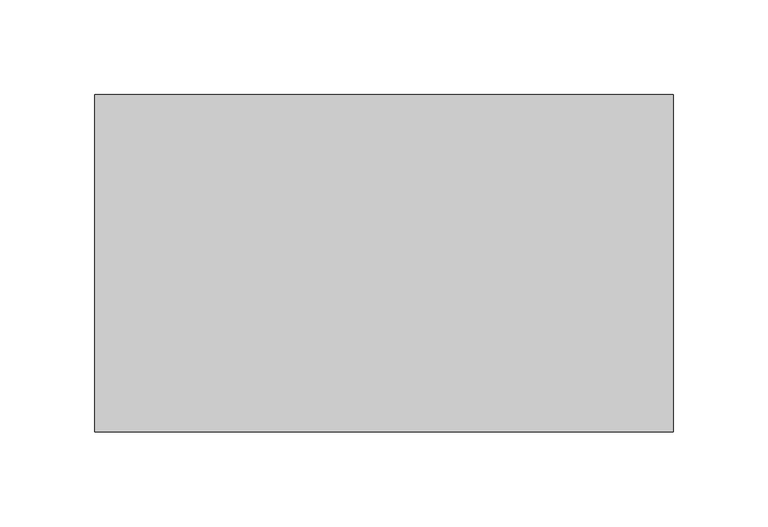
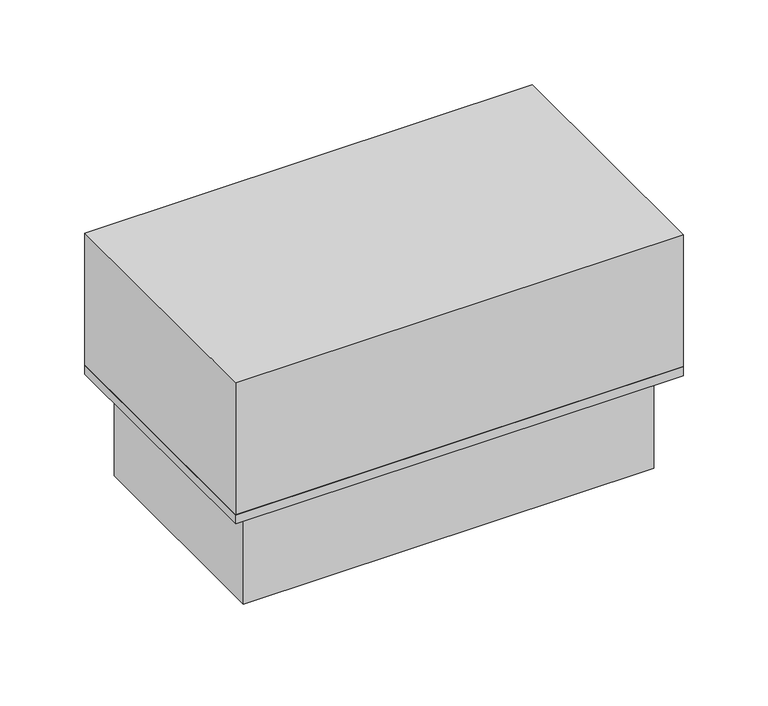
"""IFC4 building model written with IfcOpenShell, lengths in millimetres: proxy geometry."""

from ifc_helpers import new_model, si_unit, frame, origin, origin_with_axes, place, context, project, spatial, polyline, outline, extrude, source, transform, mapped, element, save


def specialty_equipment_8d654257(model_context):
    return source(origin(), model_context, "Body", "SweptSolid", [
        extrude(outline(polyline([(152.4, 0.0), (-152.4, 0.0), (-152.4, 177.8), (152.4, 177.8), (152.4, 0.0)])), origin_with_axes(), (0.0, 0.0, 1.0), 6.35),
        extrude(outline(polyline([(139.7, 12.7), (-139.7, 12.7), (-139.7, 165.1), (139.7, 165.1), (139.7, 12.7)])), frame((0.0, 0.0, -69.85), z_axis=(0.0, 0.0, 1.0), x_axis=(1.0, 0.0, 0.0)), (0.0, 0.0, 1.0), 69.85),
        extrude(outline(polyline([(152.4, 177.8), (152.4, 0.0), (-152.4, 0.0), (-152.4, 177.8), (152.4, 177.8)])), origin_with_axes(), (0.0, 0.0, 1.0), 101.6),
    ])


if __name__ == "__main__":
    model = new_model("IFC4")
    model_context = context("Model", 3, world=origin())
    ifc_project = project(units=[si_unit("LENGTHUNIT", "METRE", prefix="MILLI")], contexts=[model_context])
    site = spatial("IfcSite", under=ifc_project)
    building = spatial("IfcBuilding", under=site)
    placement = place(None, origin())
    specialty_equipment_shape = specialty_equipment_8d654257(model_context)
    element("IfcBuildingElementProxy", 1, Name="Specialty Equipment", at=placement, inside=building, context=model_context, shape_type="MappedRepresentation", body=[
        mapped(specialty_equipment_shape, transform((0.0, 0.0, 0.0), x_axis=(1.0, 0.0, 0.0), y_axis=(0.0, 1.0, 0.0), z_axis=(0.0, 0.0, 1.0))),
    ])
    save(model, "model.ifc")
